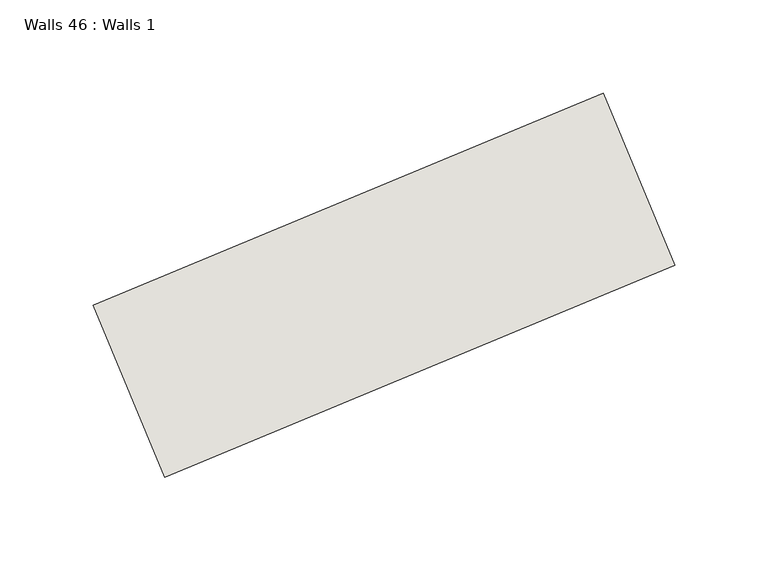
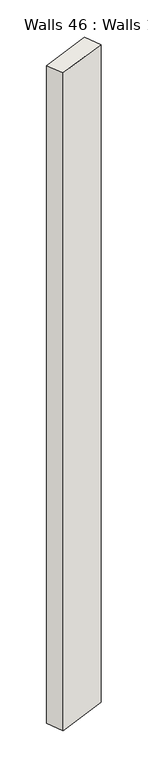
"""IFC4 building model written with IfcOpenShell, lengths in millimetres: wall geometry, Walls 46 : Walls 1."""

from ifc_helpers import new_model, si_unit, frame, origin, place, context, project, spatial, polyline, outline, extrude, source, transform, mapped, element, save


def walls_46_walls_1_7de54ae9(model_context):
    return source(origin(), model_context, "Body", "SweptSolid", [
        extrude(outline(polyline([(11908.1017061, -3121.3212632), (12182.0605934, -3007.3279812), (12220.4772581, -3099.6543581), (11946.5183708, -3213.6476401), (11908.1017061, -3121.3212632)])), frame((0.0, 0.0, 9.2698969), z_axis=(0.0, 0.0, 1.0), x_axis=(1.0, 0.0, 0.0)), (0.0, 0.0, 1.0), 3837.8160906),
    ])


if __name__ == "__main__":
    model = new_model("IFC4")
    model_context = context("Model", 3, world=origin())
    ifc_project = project(units=[si_unit("LENGTHUNIT", "METRE", prefix="MILLI")], contexts=[model_context])
    site = spatial("IfcSite", under=ifc_project)
    building = spatial("IfcBuilding", under=site)
    placement = place(None, origin())
    walls_46_walls_1_shape = walls_46_walls_1_7de54ae9(model_context)
    element("IfcWall", 1, ObjectType="Walls 46 : Walls 1", at=placement, inside=building, context=model_context, shape_type="MappedRepresentation", body=[
        mapped(walls_46_walls_1_shape, transform((0.0, 0.0, 0.0), x_axis=(1.0, 0.0, 0.0), y_axis=(0.0, 1.0, 0.0), z_axis=(0.0, 0.0, 1.0))),
    ])
    save(model, "model.ifc")
